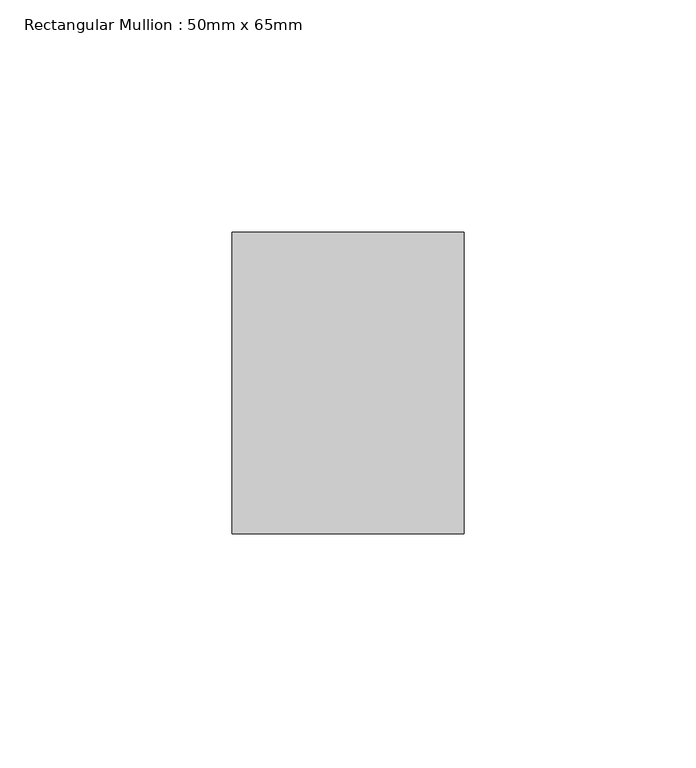
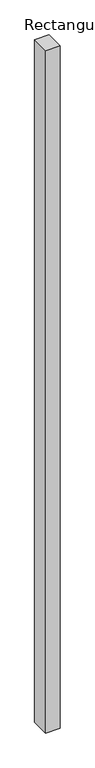
"""IFC4 building model written with IfcOpenShell, lengths in millimetres: member geometry, Rectangular Mullion : 50mm x 65mm."""

from ifc_helpers import new_model, si_unit, frame, origin, place, context, project, spatial, polyline, outline, extrude, source, transform, mapped, element, save


def rectangular_mullion_50mm_x_65mm_294462bb(model_context):
    return source(origin(), model_context, "Body", "SweptSolid", [
        extrude(outline(polyline([(25.0, 32.5), (25.0, -32.5), (-25.0, -32.5), (-25.0, 32.5), (25.0, 32.5)])), frame((0.0, 0.0, -2478.0258145), z_axis=(0.0, 0.0, 1.0), x_axis=(1.0, 0.0, 0.0)), (0.0, 0.0, 1.0), 2478.0258145),
    ])


if __name__ == "__main__":
    model = new_model("IFC4")
    model_context = context("Model", 3, world=origin())
    ifc_project = project(units=[si_unit("LENGTHUNIT", "METRE", prefix="MILLI")], contexts=[model_context])
    site = spatial("IfcSite", under=ifc_project)
    building = spatial("IfcBuilding", under=site)
    placement = place(None, origin())
    rectangular_mullion_50mm_x_65mm_shape = rectangular_mullion_50mm_x_65mm_294462bb(model_context)
    element("IfcMember", 1, ObjectType="Rectangular Mullion : 50mm x 65mm", at=placement, inside=building, context=model_context, shape_type="MappedRepresentation", body=[
        mapped(rectangular_mullion_50mm_x_65mm_shape, transform((0.0, 0.0, 0.0), x_axis=(1.0, 0.0, 0.0), y_axis=(0.0, 1.0, 0.0), z_axis=(0.0, 0.0, 1.0))),
    ])
    save(model, "model.ifc")
